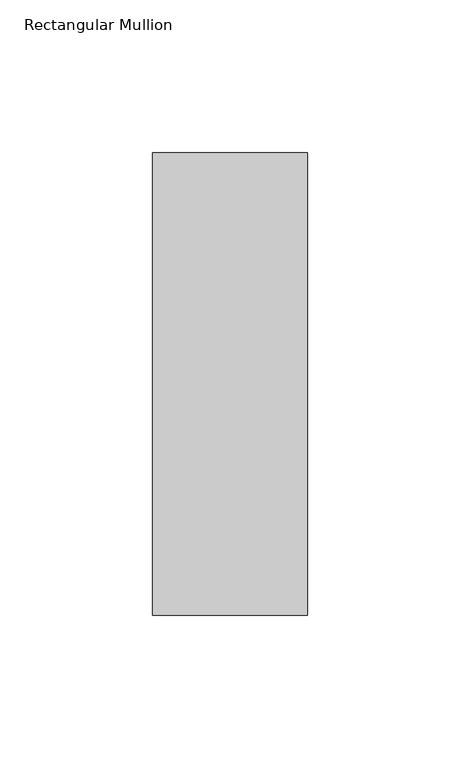
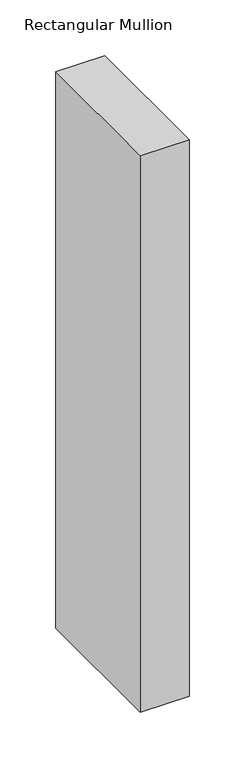
"""IFC4 building model written with IfcOpenShell, lengths in millimetres: member geometry, Rectangular Mullion."""

from ifc_helpers import new_model, si_unit, frame, origin, place, context, project, spatial, polyline, outline, extrude, source, transform, mapped, element, save


def rectangular_mullion_d01537b1(model_context):
    return source(origin(), model_context, "Body", "SweptSolid", [
        extrude(outline(polyline([(0.0, 25.796875), (0.0, -125.809375), (-50.8, -125.809375), (-50.8, 25.796875), (0.0, 25.796875)])), frame((0.0, 0.0, -609.6), z_axis=(0.0, 0.0, 1.0), x_axis=(1.0, 0.0, 0.0)), (0.0, 0.0, 1.0), 609.6),
    ])


if __name__ == "__main__":
    model = new_model("IFC4")
    model_context = context("Model", 3, world=origin())
    ifc_project = project(units=[si_unit("LENGTHUNIT", "METRE", prefix="MILLI")], contexts=[model_context])
    site = spatial("IfcSite", under=ifc_project)
    building = spatial("IfcBuilding", under=site)
    placement = place(None, origin())
    rectangular_mullion_shape = rectangular_mullion_d01537b1(model_context)
    element("IfcMember", 1, ObjectType="Rectangular Mullion", at=placement, inside=building, context=model_context, shape_type="MappedRepresentation", body=[
        mapped(rectangular_mullion_shape, transform((0.0, 0.0, 0.0), x_axis=(1.0, 0.0, 0.0), y_axis=(0.0, 1.0, 0.0), z_axis=(0.0, 0.0, 1.0))),
    ])
    save(model, "model.ifc")
